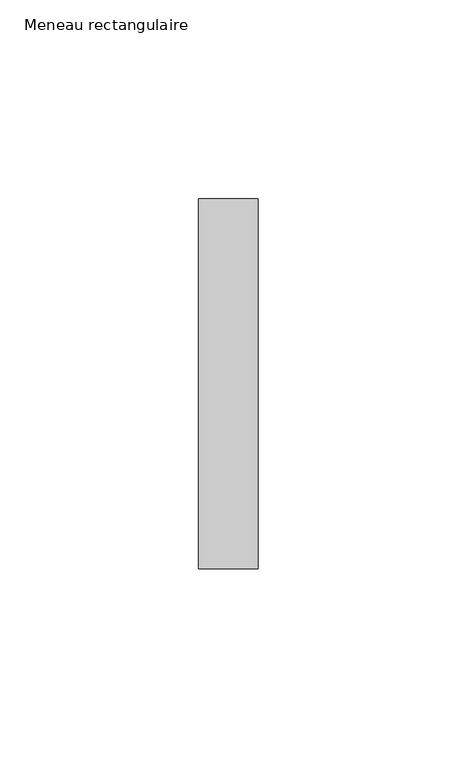
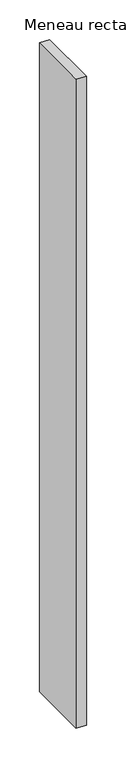
"""IFC4 building model written with IfcOpenShell, lengths in millimetres: member geometry, Meneau rectangulaire."""

from ifc_helpers import new_model, si_unit, frame, origin, place, context, project, spatial, polyline, outline, extrude, source, transform, mapped, element, save


def meneau_rectangulaire_5502b11c(model_context):
    return source(origin(), model_context, "Body", "SweptSolid", [
        extrude(outline(polyline([(0.0, 46.5), (0.0, -46.5), (-15.0, -46.5), (-15.0, 46.5), (0.0, 46.5)])), frame((0.0, 0.0, -1001.5497356), z_axis=(0.0, 0.0, 1.0), x_axis=(1.0, 0.0, 0.0)), (0.0, 0.0, 1.0), 1001.5497356),
    ])


if __name__ == "__main__":
    model = new_model("IFC4")
    model_context = context("Model", 3, world=origin())
    ifc_project = project(units=[si_unit("LENGTHUNIT", "METRE", prefix="MILLI")], contexts=[model_context])
    site = spatial("IfcSite", under=ifc_project)
    building = spatial("IfcBuilding", under=site)
    placement = place(None, origin())
    meneau_rectangulaire_shape = meneau_rectangulaire_5502b11c(model_context)
    element("IfcMember", 1, ObjectType="Meneau rectangulaire", at=placement, inside=building, context=model_context, shape_type="MappedRepresentation", body=[
        mapped(meneau_rectangulaire_shape, transform((0.0, 0.0, 0.0), x_axis=(1.0, 0.0, 0.0), y_axis=(0.0, 1.0, 0.0), z_axis=(0.0, 0.0, 1.0))),
    ])
    save(model, "model.ifc")
